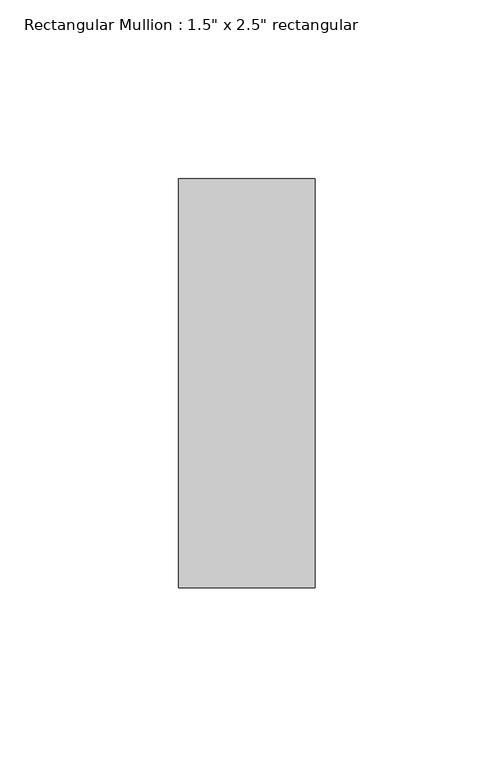
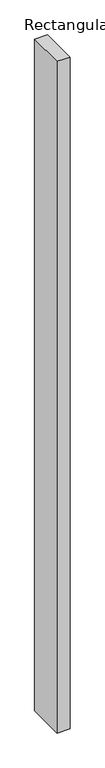
"""IFC4 building model written with IfcOpenShell, lengths in millimetres: member geometry."""

import ifcopenshell
import ifcopenshell.guid

model = None  # the IFC model being written
_history = None  # IfcOwnerHistory: only IFC2X3 demands one
_inside = {}  # id of a spatial element -> (the spatial element, [elements in it])
_under = {}  # id of a project, library or spatial element -> (it, [spatial elements below it])
_declared = {}  # id of a project -> (the project, [libraries it declares])
_typed = {}  # id of a type object -> (the type object, [elements of that type])
_made_of = {}  # id of a material, layer set ... -> (it, [elements and type objects made of it])


def new_model(schema):
    """Start an empty IFC model of exactly this schema.

    Asked for "IFC4X3", IfcOpenShell would pick the latest addendum, in which some entities
    have other attributes; the version numbers below select the first issue.
    IFC2X3 requires an IfcOwnerHistory on every rooted entity: one is made here for all.
    """
    global model, _history
    if schema == "IFC4X3":
        model = ifcopenshell.file(schema_version=(4, 3, 0, 0))
    else:
        model = ifcopenshell.file(schema=schema)
    _inside.clear()
    _under.clear()
    _declared.clear()
    _typed.clear()
    _made_of.clear()
    _history = None
    if model.schema == "IFC2X3":
        org = make("IfcOrganization", Name="unknown")
        user = make(
            "IfcPersonAndOrganization",
            ThePerson=make("IfcPerson", FamilyName="unknown"),
            TheOrganization=org,
        )
        app = make(
            "IfcApplication",
            ApplicationDeveloper=org,
            Version="unknown",
            ApplicationFullName="unknown",
            ApplicationIdentifier="unknown",
        )
        _history = make(
            "IfcOwnerHistory",
            OwningUser=user,
            OwningApplication=app,
            ChangeAction="ADDED",
            CreationDate=0,
        )
    return model


def make(cls, **values):
    """One entity of the class cls with the attributes given. An attribute that is None is left unset."""
    return model.create_entity(
        cls, **{name: value for name, value in values.items() if value is not None}
    )


def rooted(cls, **values):
    """An entity with a GlobalId (a new one), such as an element, a storey or a relation."""
    return make(cls, GlobalId=ifcopenshell.guid.new(), OwnerHistory=_history, **values)


def si_unit(unit_type, name, prefix=None):
    """IfcSIUnit, for example si_unit("LENGTHUNIT", "METRE", prefix="MILLI")."""
    return make("IfcSIUnit", UnitType=unit_type, Prefix=prefix, Name=name)


def assignment(units):
    """IfcUnitAssignment: the units of a project."""
    return None if units is None else make("IfcUnitAssignment", Units=units)


def point(xyz):
    """IfcCartesianPoint."""
    return None if xyz is None else make("IfcCartesianPoint", Coordinates=xyz)


def direction(xyz):
    """IfcDirection."""
    return None if xyz is None else make("IfcDirection", DirectionRatios=xyz)


def frame(location, z_axis=None, x_axis=None):
    """IfcAxis2Placement3D, a coordinate frame: its origin and axes. An axis left out is left unset."""
    return make(
        "IfcAxis2Placement3D",
        Location=point(location),
        Axis=direction(z_axis),
        RefDirection=direction(x_axis),
    )


def origin():
    """The frame at (0, 0, 0) with its axes left unset."""
    return frame((0.0, 0.0, 0.0))


def place(relative_to, where):
    """IfcLocalPlacement: puts the frame where relative to a parent placement (None: the world)."""
    return make(
        "IfcLocalPlacement", PlacementRelTo=relative_to, RelativePlacement=where
    )


def context(
    kind, dimensions, precision=None, world=None, true_north=None, identifier=None
):
    """IfcGeometricRepresentationContext, for example the 3D "Model" context."""
    return make(
        "IfcGeometricRepresentationContext",
        ContextIdentifier=identifier,
        ContextType=kind,
        CoordinateSpaceDimension=dimensions,
        Precision=precision,
        WorldCoordinateSystem=world,
        TrueNorth=true_north,
    )


def project(units=None, contexts=None):
    """IfcProject with its units and contexts."""
    return rooted(
        "IfcProject",
        Name="project",
        RepresentationContexts=contexts,
        UnitsInContext=assignment(units),
    )


def spatial(cls, under=None, at=None, **own):
    """A site, building, storey or space (cls), placed at a placement, below another one or the project."""
    s = rooted(cls, ObjectPlacement=at, **own)
    if under is not None:
        _under.setdefault(under.id(), (under, []))[1].append(s)
    return s


def polyline(points):
    """IfcPolyline through the points."""
    return make("IfcPolyline", Points=[point(p) for p in points])


def outline(outer, holes=None, kind="AREA"):
    """IfcArbitraryClosedProfileDef: a profile drawn as a closed curve; with holes, ...WithVoids."""
    if holes is None:
        return make("IfcArbitraryClosedProfileDef", ProfileType=kind, OuterCurve=outer)
    return make(
        "IfcArbitraryProfileDefWithVoids",
        ProfileType=kind,
        OuterCurve=outer,
        InnerCurves=holes,
    )


def extrude(swept, where, along, depth):
    """IfcExtrudedAreaSolid: the profile swept, set in the frame where, extruded along a direction by depth."""
    return make(
        "IfcExtrudedAreaSolid",
        SweptArea=swept,
        Position=where,
        ExtrudedDirection=direction(along),
        Depth=depth,
    )


def shape(context_of_items, identifier, shape_type, items):
    """IfcShapeRepresentation: the items that make up one representation, for example the "Body"."""
    return make(
        "IfcShapeRepresentation",
        ContextOfItems=context_of_items,
        RepresentationIdentifier=identifier,
        RepresentationType=shape_type,
        Items=items,
    )


def source(mapping_origin, context_of_items, identifier, shape_type, items):
    """IfcRepresentationMap: a shape defined once, which mapped items show again and again."""
    return make(
        "IfcRepresentationMap",
        MappingOrigin=mapping_origin,
        MappedRepresentation=shape(context_of_items, identifier, shape_type, items),
    )


def transform(
    local_origin,
    x_axis=None,
    y_axis=None,
    z_axis=None,
    scale=None,
    scale2=None,
    scale3=None,
    uniform=True,
):
    """IfcCartesianTransformationOperator3D, or its non-uniform kind. x_axis, y_axis, z_axis: its Axis1, 2, 3."""
    if uniform:
        return make(
            "IfcCartesianTransformationOperator3D",
            Axis1=direction(x_axis),
            Axis2=direction(y_axis),
            LocalOrigin=point(local_origin),
            Scale=scale,
            Axis3=direction(z_axis),
        )
    return make(
        "IfcCartesianTransformationOperator3DnonUniform",
        Axis1=direction(x_axis),
        Axis2=direction(y_axis),
        LocalOrigin=point(local_origin),
        Scale=scale,
        Axis3=direction(z_axis),
        Scale2=scale2,
        Scale3=scale3,
    )


def mapped(mapping_source, mapping_target):
    """IfcMappedItem: shows the shape of a source again, moved by a transform."""
    return make(
        "IfcMappedItem", MappingSource=mapping_source, MappingTarget=mapping_target
    )


def made_of(thing, what):
    """Note that an element or type object is made of a material, layer set ...; save() writes the relation."""
    if what is not None:
        _made_of.setdefault(what.id(), (what, []))[1].append(thing)
    return thing


def element(
    cls,
    number,
    at=None,
    inside=None,
    cuts=None,
    type_object=None,
    material=None,
    context=None,
    identifier="Body",
    shape_type=None,
    held_by="IfcProductDefinitionShape",
    body=None,
    shapes=None,
    **own,
):
    """One element of the class cls, such as IfcWall. Its Tag is "e" and its number.

    at: its placement. inside: the storey or other place that contains it. cuts: it is an
    opening in that element (IfcRelVoidsElement). A single representation is given by context,
    identifier, shape_type and body (its items); several are given by shapes. held_by: the class
    of the entity that holds the representations. save() writes the other relations.
    """
    e = rooted(cls, Tag="e%d" % number, ObjectPlacement=at, **own)
    if body is not None:
        shapes = [shape(context, identifier, shape_type, body)]
    if shapes is not None:
        e.Representation = make(held_by, Representations=shapes)
    if inside is not None:
        _inside.setdefault(inside.id(), (inside, []))[1].append(e)
    if cuts is not None:
        rooted(
            "IfcRelVoidsElement", RelatingBuildingElement=cuts, RelatedOpeningElement=e
        )
    if type_object is not None:
        _typed.setdefault(type_object.id(), (type_object, []))[1].append(e)
    return made_of(e, material)


def aggregate(whole, parts):
    """IfcRelAggregates: a whole, such as a stair, and the parts it consists of."""
    return rooted("IfcRelAggregates", RelatingObject=whole, RelatedObjects=parts)


def save(model, path):
    """Write the relations noted so far, then the file.

    IfcRelAggregates (storeys below a building ...), IfcRelContainedInSpatialStructure (elements
    in a storey), IfcRelDefinesByType, IfcRelAssociatesMaterial and IfcRelDeclares: one each for
    every whole, place, type object, material and project.
    """
    for whole, parts in _under.values():
        aggregate(whole, parts)
    for where, things in _inside.values():
        rooted(
            "IfcRelContainedInSpatialStructure",
            RelatedElements=things,
            RelatingStructure=where,
        )
    for kind, things in _typed.values():
        rooted("IfcRelDefinesByType", RelatedObjects=things, RelatingType=kind)
    for what, things in _made_of.values():
        rooted("IfcRelAssociatesMaterial", RelatedObjects=things, RelatingMaterial=what)
    for by, libraries in _declared.values():
        rooted("IfcRelDeclares", RelatingContext=by, RelatedDefinitions=libraries)
    model.write(path)


def member_9a7dd8ae(model_context):
    return source(origin(), model_context, "Body", "SweptSolid", [
        extrude(outline(polyline([(19.05, 57.15), (19.05, -57.15), (-19.05, -57.15), (-19.05, 57.15), (19.05, 57.15)])), frame((0.0, 0.0, -2095.5), z_axis=(0.0, 0.0, 1.0), x_axis=(1.0, 0.0, 0.0)), (0.0, 0.0, 1.0), 2095.5),
    ])


if __name__ == "__main__":
    model = new_model("IFC4")
    model_context = context("Model", 3, world=origin())
    ifc_project = project(units=[si_unit("LENGTHUNIT", "METRE", prefix="MILLI")], contexts=[model_context])
    site = spatial("IfcSite", under=ifc_project)
    building = spatial("IfcBuilding", under=site)
    placement = place(None, origin())
    member_shape = member_9a7dd8ae(model_context)
    element("IfcMember", 1, ObjectType="Rectangular Mullion : 1.5\" x 2.5\" rectangular", at=placement, inside=building, context=model_context, shape_type="MappedRepresentation", body=[
        mapped(member_shape, transform((0.0, 0.0, 0.0), x_axis=(1.0, 0.0, 0.0), y_axis=(0.0, 1.0, 0.0), z_axis=(0.0, 0.0, 1.0))),
    ])
    save(model, "model.ifc")
